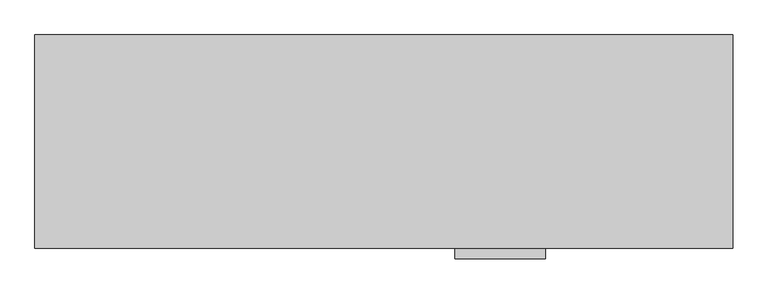
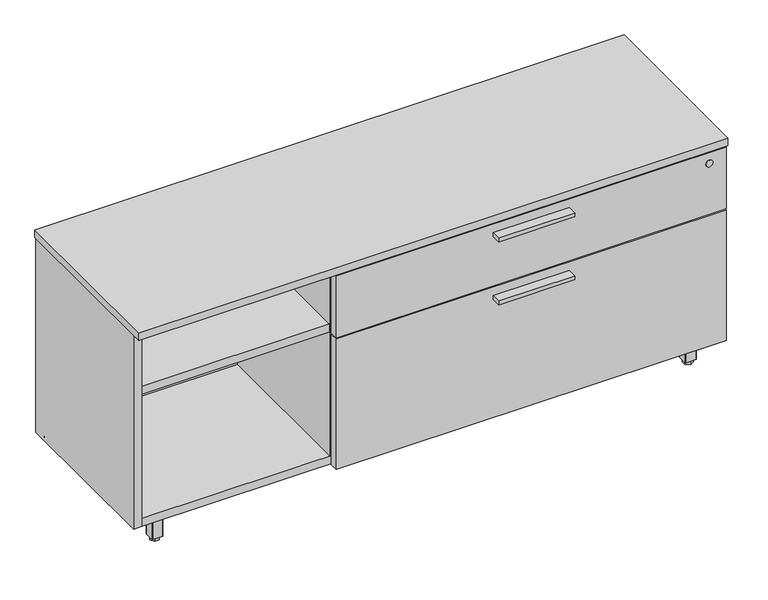
"""IFC4 building model written with IfcOpenShell, lengths in millimetres: furniture geometry."""

from ifc_helpers import new_model, si_unit, point, frame, frame_2d, origin, origin_with_axes, place, context, project, spatial, polyline, circle_curve, trimmed, segment, composite_curve, outline, extrude, source, transform, mapped, element, save


def furniture_82ab7306(model_context):
    return source(origin(), model_context, "Body", "SweptSolid", [
        extrude(outline(polyline([(1003.3635, -447.8158592), (825.5635, -447.8158592), (825.5635, -425.5908592), (1003.3635, -425.5908592), (1003.3635, -447.8158592)])), frame((0.0, 0.0, 351.0330729), z_axis=(0.0, 0.0, 1.0), x_axis=(1.0, 0.0, 0.0)), (0.0, 0.0, 1.0), 9.525),
        extrude(outline(polyline([(1003.3635, -447.8158592), (825.5635, -447.8158592), (825.5635, -425.5908592), (1003.3635, -425.5908592), (1003.3635, -447.8158592)])), frame((0.0, 0.0, 506.1508939), z_axis=(0.0, 0.0, 1.0), x_axis=(1.0, 0.0, 0.0)), (0.0, 0.0, 1.0), 9.525),
        extrude(outline(polyline([(70.8025, -367.813183), (76.5175, -377.7118534), (70.8025, -387.6105237), (59.3725, -387.6105237), (53.6575, -377.7118534), (59.3725, -367.813183), (70.8025, -367.813183)])), origin_with_axes(), (0.0, 0.0, 1.0), 9.144),
        extrude(outline(composite_curve([segment(trimmed(circle_curve(frame_2d((65.0875, -377.7118534)), 4.445), [point((69.5325, -377.7118534))], [point((60.6425, -377.7118534))], False, "CARTESIAN"), True, "CONTINUOUS"), segment(trimmed(circle_curve(frame_2d((65.0875, -377.7118534)), 4.445), [point((60.6425, -377.7118534))], [point((69.5325, -377.7118534))], False, "CARTESIAN"), True, "CONTINUOUS")], self_intersect=False)), frame((0.0, 0.0, 7.112), z_axis=(0.0, 0.0, 1.0), x_axis=(1.0, 0.0, 0.0)), (0.0, 0.0, 1.0), 2.032),
        extrude(outline(composite_curve([segment(trimmed(circle_curve(frame_2d((11.1125, -393.5868534)), 3.175), [point((11.1125, -396.7618534))], [point((7.9375, -393.5868534))], False, "CARTESIAN"), True, "CONTINUOUS"), segment(polyline([(7.9375, -393.5868534), (7.9375, -323.7368534)]), True, "CONTINUOUS"), segment(trimmed(circle_curve(frame_2d((11.1125, -323.7368534)), 3.175), [point((7.9375, -323.7368534))], [point((11.1125, -320.5618534))], False, "CARTESIAN"), True, "CONTINUOUS"), segment(polyline([(11.1125, -320.5618534), (80.9625, -320.5618534)]), True, "CONTINUOUS"), segment(trimmed(circle_curve(frame_2d((80.9625, -323.7368534)), 3.175), [point((80.9625, -320.5618534))], [point((84.1375, -323.7368534))], False, "CARTESIAN"), True, "CONTINUOUS"), segment(polyline([(84.1375, -323.7368534), (84.1375, -393.5868534)]), True, "CONTINUOUS"), segment(trimmed(circle_curve(frame_2d((80.9625, -393.5868534)), 3.175), [point((84.1375, -393.5868534))], [point((80.9625, -396.7618534))], False, "CARTESIAN"), True, "CONTINUOUS"), segment(polyline([(80.9625, -396.7618534), (11.1125, -396.7618534)]), True, "CONTINUOUS")], self_intersect=False)), frame((0.0, 0.0, 58.3692), z_axis=(0.0, 0.0, 1.0), x_axis=(1.0, 0.0, 0.0)), (0.0, 0.0, 1.0), 1.89738),
        extrude(outline(composite_curve([segment(polyline([(76.5175, -390.4118534), (53.6575, -390.4118534)]), True, "CONTINUOUS"), segment(trimmed(circle_curve(frame_2d((53.6575, -389.1418534)), 1.27), [point((53.6575, -390.4118534))], [point((52.3875, -389.1418534))], False, "CARTESIAN"), True, "CONTINUOUS"), segment(polyline([(52.3875, -389.1418534), (52.3875, -366.2818534)]), True, "CONTINUOUS"), segment(trimmed(circle_curve(frame_2d((53.6575, -366.2818534)), 1.27), [point((52.3875, -366.2818534))], [point((53.6575, -365.0118534))], False, "CARTESIAN"), True, "CONTINUOUS"), segment(polyline([(53.6575, -365.0118534), (76.5175, -365.0118534)]), True, "CONTINUOUS"), segment(trimmed(circle_curve(frame_2d((76.5175, -366.2818534)), 1.27), [point((76.5175, -365.0118534))], [point((77.7875, -366.2818534))], False, "CARTESIAN"), True, "CONTINUOUS"), segment(polyline([(77.7875, -366.2818534), (77.7875, -389.1418534)]), True, "CONTINUOUS"), segment(trimmed(circle_curve(frame_2d((76.5175, -389.1418534)), 1.27), [point((77.7875, -389.1418534))], [point((76.5175, -390.4118534))], False, "CARTESIAN"), True, "CONTINUOUS")], self_intersect=False)), frame((0.0, 0.0, 9.144), z_axis=(0.0, 0.0, 1.0), x_axis=(1.0, 0.0, 0.0)), (0.0, 0.0, 1.0), 49.2252),
        extrude(outline(polyline([(55.1888296, -42.0508713), (65.0875, -36.3358713), (74.9861704, -42.0508713), (74.9861704, -53.4808713), (65.0875, -59.1958713), (55.1888296, -53.4808713), (55.1888296, -42.0508713)])), origin_with_axes(), (0.0, 0.0, 1.0), 9.144),
        extrude(outline(composite_curve([segment(trimmed(circle_curve(frame_2d((65.0875, -47.7658713)), 4.445), [point((65.0875, -43.3208713))], [point((65.0875, -52.2108713))], False, "CARTESIAN"), True, "CONTINUOUS"), segment(trimmed(circle_curve(frame_2d((65.0875, -47.7658713)), 4.445), [point((65.0875, -52.2108713))], [point((65.0875, -43.3208713))], False, "CARTESIAN"), True, "CONTINUOUS")], self_intersect=False)), frame((0.0, 0.0, 7.112), z_axis=(0.0, 0.0, 1.0), x_axis=(1.0, 0.0, 0.0)), (0.0, 0.0, 1.0), 2.032),
        extrude(outline(composite_curve([segment(trimmed(circle_curve(frame_2d((80.9625, -101.7408713)), 3.175), [point((84.1375, -101.7408713))], [point((80.9625, -104.9158713))], False, "CARTESIAN"), True, "CONTINUOUS"), segment(polyline([(80.9625, -104.9158713), (11.1125, -104.9158713)]), True, "CONTINUOUS"), segment(trimmed(circle_curve(frame_2d((11.1125, -101.7408713)), 3.175), [point((11.1125, -104.9158713))], [point((7.9375, -101.7408713))], False, "CARTESIAN"), True, "CONTINUOUS"), segment(polyline([(7.9375, -101.7408713), (7.9375, -31.8908713)]), True, "CONTINUOUS"), segment(trimmed(circle_curve(frame_2d((11.1125, -31.8908713)), 3.175), [point((7.9375, -31.8908713))], [point((11.1125, -28.7158713))], False, "CARTESIAN"), True, "CONTINUOUS"), segment(polyline([(11.1125, -28.7158713), (80.9625, -28.7158713)]), True, "CONTINUOUS"), segment(trimmed(circle_curve(frame_2d((80.9625, -31.8908713)), 3.175), [point((80.9625, -28.7158713))], [point((84.1375, -31.8908713))], False, "CARTESIAN"), True, "CONTINUOUS"), segment(polyline([(84.1375, -31.8908713), (84.1375, -101.7408713)]), True, "CONTINUOUS")], self_intersect=False)), frame((0.0, 0.0, 58.3692), z_axis=(0.0, 0.0, 1.0), x_axis=(1.0, 0.0, 0.0)), (0.0, 0.0, 1.0), 1.89738),
        extrude(outline(composite_curve([segment(polyline([(77.7875, -36.3358713), (77.7875, -59.1958713)]), True, "CONTINUOUS"), segment(trimmed(circle_curve(frame_2d((76.5175, -59.1958713)), 1.27), [point((77.7875, -59.1958713))], [point((76.5175, -60.4658713))], False, "CARTESIAN"), True, "CONTINUOUS"), segment(polyline([(76.5175, -60.4658713), (53.6575, -60.4658713)]), True, "CONTINUOUS"), segment(trimmed(circle_curve(frame_2d((53.6575, -59.1958713)), 1.27), [point((53.6575, -60.4658713))], [point((52.3875, -59.1958713))], False, "CARTESIAN"), True, "CONTINUOUS"), segment(polyline([(52.3875, -59.1958713), (52.3875, -36.3358713)]), True, "CONTINUOUS"), segment(trimmed(circle_curve(frame_2d((53.6575, -36.3358713)), 1.27), [point((52.3875, -36.3358713))], [point((53.6575, -35.0658713))], False, "CARTESIAN"), True, "CONTINUOUS"), segment(polyline([(53.6575, -35.0658713), (76.5175, -35.0658713)]), True, "CONTINUOUS"), segment(trimmed(circle_curve(frame_2d((76.5175, -36.3358713)), 1.27), [point((76.5175, -35.0658713))], [point((77.7875, -36.3358713))], False, "CARTESIAN"), True, "CONTINUOUS")], self_intersect=False)), frame((0.0, 0.0, 9.144), z_axis=(0.0, 0.0, 1.0), x_axis=(1.0, 0.0, 0.0)), (0.0, 0.0, 1.0), 49.2252),
        extrude(outline(polyline([(1300.7975, -57.6645417), (1295.0825, -47.7658713), (1300.7975, -37.8672009), (1312.2275, -37.8672009), (1317.9425, -47.7658713), (1312.2275, -57.6645417), (1300.7975, -57.6645417)])), origin_with_axes(), (0.0, 0.0, 1.0), 9.144),
        extrude(outline(composite_curve([segment(trimmed(circle_curve(frame_2d((1306.5125, -47.7658713)), 4.445), [point((1302.0675, -47.7658713))], [point((1310.9575, -47.7658713))], False, "CARTESIAN"), True, "CONTINUOUS"), segment(trimmed(circle_curve(frame_2d((1306.5125, -47.7658713)), 4.445), [point((1310.9575, -47.7658713))], [point((1302.0675, -47.7658713))], False, "CARTESIAN"), True, "CONTINUOUS")], self_intersect=False)), frame((0.0, 0.0, 7.112), z_axis=(0.0, 0.0, 1.0), x_axis=(1.0, 0.0, 0.0)), (0.0, 0.0, 1.0), 2.032),
        extrude(outline(composite_curve([segment(trimmed(circle_curve(frame_2d((1360.4875, -31.8908713)), 3.175), [point((1360.4875, -28.7158713))], [point((1363.6625, -31.8908713))], False, "CARTESIAN"), True, "CONTINUOUS"), segment(polyline([(1363.6625, -31.8908713), (1363.6625, -101.7408713)]), True, "CONTINUOUS"), segment(trimmed(circle_curve(frame_2d((1360.4875, -101.7408713)), 3.175), [point((1363.6625, -101.7408713))], [point((1360.4875, -104.9158713))], False, "CARTESIAN"), True, "CONTINUOUS"), segment(polyline([(1360.4875, -104.9158713), (1290.6375, -104.9158713)]), True, "CONTINUOUS"), segment(trimmed(circle_curve(frame_2d((1290.6375, -101.7408713)), 3.175), [point((1290.6375, -104.9158713))], [point((1287.4625, -101.7408713))], False, "CARTESIAN"), True, "CONTINUOUS"), segment(polyline([(1287.4625, -101.7408713), (1287.4625, -31.8908713)]), True, "CONTINUOUS"), segment(trimmed(circle_curve(frame_2d((1290.6375, -31.8908713)), 3.175), [point((1287.4625, -31.8908713))], [point((1290.6375, -28.7158713))], False, "CARTESIAN"), True, "CONTINUOUS"), segment(polyline([(1290.6375, -28.7158713), (1360.4875, -28.7158713)]), True, "CONTINUOUS")], self_intersect=False)), frame((0.0, 0.0, 58.3692), z_axis=(0.0, 0.0, 1.0), x_axis=(1.0, 0.0, 0.0)), (0.0, 0.0, 1.0), 1.89738),
        extrude(outline(composite_curve([segment(polyline([(1295.0825, -35.0658713), (1317.9425, -35.0658713)]), True, "CONTINUOUS"), segment(trimmed(circle_curve(frame_2d((1317.9425, -36.3358713)), 1.27), [point((1317.9425, -35.0658713))], [point((1319.2125, -36.3358713))], False, "CARTESIAN"), True, "CONTINUOUS"), segment(polyline([(1319.2125, -36.3358713), (1319.2125, -59.1958713)]), True, "CONTINUOUS"), segment(trimmed(circle_curve(frame_2d((1317.9425, -59.1958713)), 1.27), [point((1319.2125, -59.1958713))], [point((1317.9425, -60.4658713))], False, "CARTESIAN"), True, "CONTINUOUS"), segment(polyline([(1317.9425, -60.4658713), (1295.0825, -60.4658713)]), True, "CONTINUOUS"), segment(trimmed(circle_curve(frame_2d((1295.0825, -59.1958713)), 1.27), [point((1295.0825, -60.4658713))], [point((1293.8125, -59.1958713))], False, "CARTESIAN"), True, "CONTINUOUS"), segment(polyline([(1293.8125, -59.1958713), (1293.8125, -36.3358713)]), True, "CONTINUOUS"), segment(trimmed(circle_curve(frame_2d((1295.0825, -36.3358713)), 1.27), [point((1293.8125, -36.3358713))], [point((1295.0825, -35.0658713))], False, "CARTESIAN"), True, "CONTINUOUS")], self_intersect=False)), frame((0.0, 0.0, 9.144), z_axis=(0.0, 0.0, 1.0), x_axis=(1.0, 0.0, 0.0)), (0.0, 0.0, 1.0), 49.2252),
        extrude(outline(polyline([(1316.4111704, -383.4268534), (1306.5125, -389.1418534), (1296.6138296, -383.4268534), (1296.6138296, -371.9968534), (1306.5125, -366.2818534), (1316.4111704, -371.9968534), (1316.4111704, -383.4268534)])), origin_with_axes(), (0.0, 0.0, 1.0), 9.144),
        extrude(outline(composite_curve([segment(trimmed(circle_curve(frame_2d((1306.5125, -377.7118534)), 4.445), [point((1306.5125, -382.1568534))], [point((1306.5125, -373.2668534))], False, "CARTESIAN"), True, "CONTINUOUS"), segment(trimmed(circle_curve(frame_2d((1306.5125, -377.7118534)), 4.445), [point((1306.5125, -373.2668534))], [point((1306.5125, -382.1568534))], False, "CARTESIAN"), True, "CONTINUOUS")], self_intersect=False)), frame((0.0, 0.0, 7.112), z_axis=(0.0, 0.0, 1.0), x_axis=(1.0, 0.0, 0.0)), (0.0, 0.0, 1.0), 2.032),
        extrude(outline(composite_curve([segment(trimmed(circle_curve(frame_2d((1290.6375, -323.7368534)), 3.175), [point((1287.4625, -323.7368534))], [point((1290.6375, -320.5618534))], False, "CARTESIAN"), True, "CONTINUOUS"), segment(polyline([(1290.6375, -320.5618534), (1360.4875, -320.5618534)]), True, "CONTINUOUS"), segment(trimmed(circle_curve(frame_2d((1360.4875, -323.7368534)), 3.175), [point((1360.4875, -320.5618534))], [point((1363.6625, -323.7368534))], False, "CARTESIAN"), True, "CONTINUOUS"), segment(polyline([(1363.6625, -323.7368534), (1363.6625, -393.5868534)]), True, "CONTINUOUS"), segment(trimmed(circle_curve(frame_2d((1360.4875, -393.5868534)), 3.175), [point((1363.6625, -393.5868534))], [point((1360.4875, -396.7618534))], False, "CARTESIAN"), True, "CONTINUOUS"), segment(polyline([(1360.4875, -396.7618534), (1290.6375, -396.7618534)]), True, "CONTINUOUS"), segment(trimmed(circle_curve(frame_2d((1290.6375, -393.5868534)), 3.175), [point((1290.6375, -396.7618534))], [point((1287.4625, -393.5868534))], False, "CARTESIAN"), True, "CONTINUOUS"), segment(polyline([(1287.4625, -393.5868534), (1287.4625, -323.7368534)]), True, "CONTINUOUS")], self_intersect=False)), frame((0.0, 0.0, 58.3692), z_axis=(0.0, 0.0, 1.0), x_axis=(1.0, 0.0, 0.0)), (0.0, 0.0, 1.0), 1.89738),
        extrude(outline(composite_curve([segment(polyline([(1293.8125, -389.1418534), (1293.8125, -366.2818534)]), True, "CONTINUOUS"), segment(trimmed(circle_curve(frame_2d((1295.0825, -366.2818534)), 1.27), [point((1293.8125, -366.2818534))], [point((1295.0825, -365.0118534))], False, "CARTESIAN"), True, "CONTINUOUS"), segment(polyline([(1295.0825, -365.0118534), (1317.9425, -365.0118534)]), True, "CONTINUOUS"), segment(trimmed(circle_curve(frame_2d((1317.9425, -366.2818534)), 1.27), [point((1317.9425, -365.0118534))], [point((1319.2125, -366.2818534))], False, "CARTESIAN"), True, "CONTINUOUS"), segment(polyline([(1319.2125, -366.2818534), (1319.2125, -389.1418534)]), True, "CONTINUOUS"), segment(trimmed(circle_curve(frame_2d((1317.9425, -389.1418534)), 1.27), [point((1319.2125, -389.1418534))], [point((1317.9425, -390.4118534))], False, "CARTESIAN"), True, "CONTINUOUS"), segment(polyline([(1317.9425, -390.4118534), (1295.0825, -390.4118534)]), True, "CONTINUOUS"), segment(trimmed(circle_curve(frame_2d((1295.0825, -389.1418534)), 1.27), [point((1295.0825, -390.4118534))], [point((1293.8125, -389.1418534))], False, "CARTESIAN"), True, "CONTINUOUS")], self_intersect=False)), frame((0.0, 0.0, 9.144), z_axis=(0.0, 0.0, 1.0), x_axis=(1.0, 0.0, 0.0)), (0.0, 0.0, 1.0), 49.2252),
        extrude(outline(polyline([(1350.7085154, -30.4938704), (1350.7085154, -402.7308447), (20.8915005, -402.7308447), (20.8915005, -30.4938704), (1350.7085154, -30.4938704)])), frame((0.0, 0.0, 520.1843787), z_axis=(0.0, 0.0, 1.0), x_axis=(1.0, 0.0, 0.0)), (0.0, 0.0, 1.0), 19.304),
        extrude(outline(polyline([(478.2185, -30.4938704), (478.2185, -401.5878548), (458.9145, -401.5878548), (458.9145, -30.4938704), (478.2185, -30.4938704)])), frame((0.0, 0.0, 79.57058), z_axis=(0.0, 0.0, 1.0), x_axis=(1.0, 0.0, 0.0)), (0.0, 0.0, 1.0), 440.6137987),
        extrude(outline(polyline([(460.502, -406.2868776), (1368.425, -406.2868776), (1368.425, -425.5908592), (460.502, -425.5908592), (460.502, -406.2868776)])), frame((0.0, 0.0, 384.3705787), z_axis=(0.0, 0.0, 1.0), x_axis=(1.0, 0.0, 0.0)), (0.0, 0.0, 1.0), 151.9428152),
        extrude(outline(polyline([(460.502, -406.2868776), (1368.425, -406.2868776), (1368.425, -425.5908592), (460.502, -425.5908592), (460.502, -406.2868776)])), frame((0.0, 0.0, 60.26658), z_axis=(0.0, 0.0, 1.0), x_axis=(1.0, 0.0, 0.0)), (0.0, 0.0, 1.0), 320.9289929),
        extrude(outline(polyline([(458.9145, -30.4938704), (458.9145, -400.8258374), (20.8915, -400.8258374), (20.8915, -30.4938704), (458.9145, -30.4938704)])), frame((0.0, 0.0, 384.3705787), z_axis=(0.0, 0.0, 1.0), x_axis=(1.0, 0.0, 0.0)), (0.0, 0.0, 1.0), 19.304),
        extrude(outline(polyline([(1371.6, -8.0783713), (1371.6, -427.1783713), (0.0, -427.1783713), (0.0, -8.0783713), (1371.6, -8.0783713)])), frame((0.0, 0.0, 539.4883818), z_axis=(0.0, 0.0, 1.0), x_axis=(1.0, 0.0, 0.0)), (0.0, 0.0, 1.0), 19.0499969),
        extrude(outline(polyline([(1350.7085154, -30.4938704), (1350.7085154, -402.7308447), (20.8915005, -402.7308447), (20.8915005, -30.4938704), (1350.7085154, -30.4938704)])), frame((0.0, 0.0, 60.26658), z_axis=(0.0, 0.0, 1.0), x_axis=(1.0, 0.0, 0.0)), (0.0, 0.0, 1.0), 19.304),
        extrude(outline(polyline([(1350.7085154, -11.1898712), (1350.7085154, -30.4938704), (20.8915005, -30.4938704), (20.8915005, -11.1898712), (1350.7085154, -11.1898712)])), frame((0.0, 0.0, 60.26658), z_axis=(0.0, 0.0, 1.0), x_axis=(1.0, 0.0, 0.0)), (0.0, 0.0, 1.0), 479.2217987),
        extrude(outline(polyline([(20.8915005, -9.6658713), (20.8915005, -403.1118534), (1.5875, -403.1118534), (1.5875, -9.6658713), (20.8915005, -9.6658713)])), frame((0.0, 0.0, 60.26658), z_axis=(0.0, 0.0, 1.0), x_axis=(1.0, 0.0, 0.0)), (0.0, 0.0, 1.0), 479.2217987),
        extrude(outline(polyline([(1350.7085154, -9.6658713), (1370.0125158, -9.6658713), (1370.0125158, -403.1118534), (1350.7085154, -403.1118534), (1350.7085154, -9.6658713)])), frame((0.0, 0.0, 60.26658), z_axis=(0.0, 0.0, 1.0), x_axis=(1.0, 0.0, 0.0)), (0.0, 0.0, 1.0), 479.2217987),
        extrude(outline(composite_curve([segment(trimmed(circle_curve(frame_2d((510.9133939, 1328.42)), 8.001), [point((510.9133939, 1336.421))], [point((510.9133939, 1320.419))], False, "CARTESIAN"), True, "CONTINUOUS"), segment(trimmed(circle_curve(frame_2d((510.9133939, 1328.42)), 8.001), [point((510.9133939, 1320.419))], [point((510.9133939, 1336.421))], False, "CARTESIAN"), True, "CONTINUOUS")], self_intersect=False)), frame((0.0, -427.1783713, 0.0), z_axis=(0.0, 1.0, 0.0), x_axis=(0.0, 0.0, 1.0)), (0.0, 0.0, 1.0), 1.5875121),
    ])


if __name__ == "__main__":
    model = new_model("IFC4")
    model_context = context("Model", 3, world=origin())
    ifc_project = project(units=[si_unit("LENGTHUNIT", "METRE", prefix="MILLI")], contexts=[model_context])
    site = spatial("IfcSite", under=ifc_project)
    building = spatial("IfcBuilding", under=site)
    placement = place(None, origin())
    furniture_shape = furniture_82ab7306(model_context)
    element("IfcFurniture", 1, at=placement, inside=building, context=model_context, shape_type="MappedRepresentation", body=[
        mapped(furniture_shape, transform((0.0, 0.0, 0.0), x_axis=(1.0, 0.0, 0.0), y_axis=(0.0, 1.0, 0.0), z_axis=(0.0, 0.0, 1.0))),
    ])
    save(model, "model.ifc")
